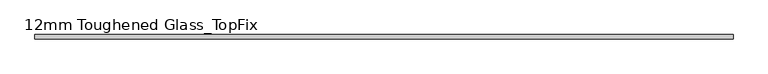
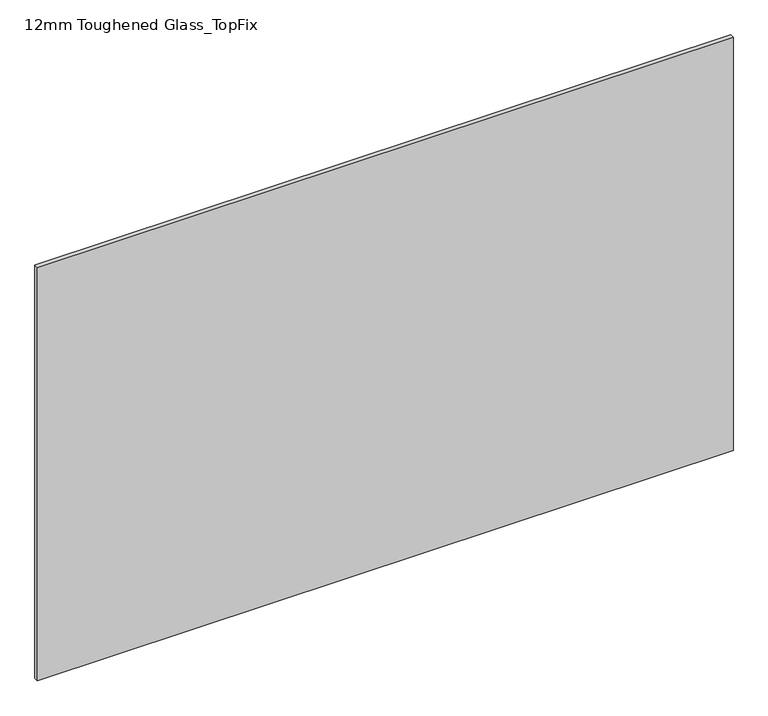
"""IFC4 building model written with IfcOpenShell, lengths in millimetres: plate geometry, 12mm Toughened Glass_TopFix."""

from ifc_helpers import new_model, si_unit, origin, origin_with_axes, place, context, project, spatial, polyline, outline, extrude, source, transform, mapped, element, save


def plate_12mm_toughened_glass_topfix_214a0b98(model_context):
    return source(origin(), model_context, "Body", "SweptSolid", [
        extrude(outline(polyline([(995.0000001, 6.0), (995.0000001, -6.0), (-995.0000001, -6.0), (-995.0000001, 6.0), (995.0000001, 6.0)])), origin_with_axes(), (0.0, 0.0, 1.0), 1250.0),
    ])


if __name__ == "__main__":
    model = new_model("IFC4")
    model_context = context("Model", 3, world=origin())
    ifc_project = project(units=[si_unit("LENGTHUNIT", "METRE", prefix="MILLI")], contexts=[model_context])
    site = spatial("IfcSite", under=ifc_project)
    building = spatial("IfcBuilding", under=site)
    placement = place(None, origin())
    plate_12mm_toughened_glass_topfix_shape = plate_12mm_toughened_glass_topfix_214a0b98(model_context)
    element("IfcPlate", 1, ObjectType="12mm Toughened Glass_TopFix", at=placement, inside=building, context=model_context, shape_type="MappedRepresentation", body=[
        mapped(plate_12mm_toughened_glass_topfix_shape, transform((0.0, 0.0, 0.0), x_axis=(1.0, 0.0, 0.0), y_axis=(0.0, 1.0, 0.0), z_axis=(0.0, 0.0, 1.0))),
    ])
    save(model, "model.ifc")
